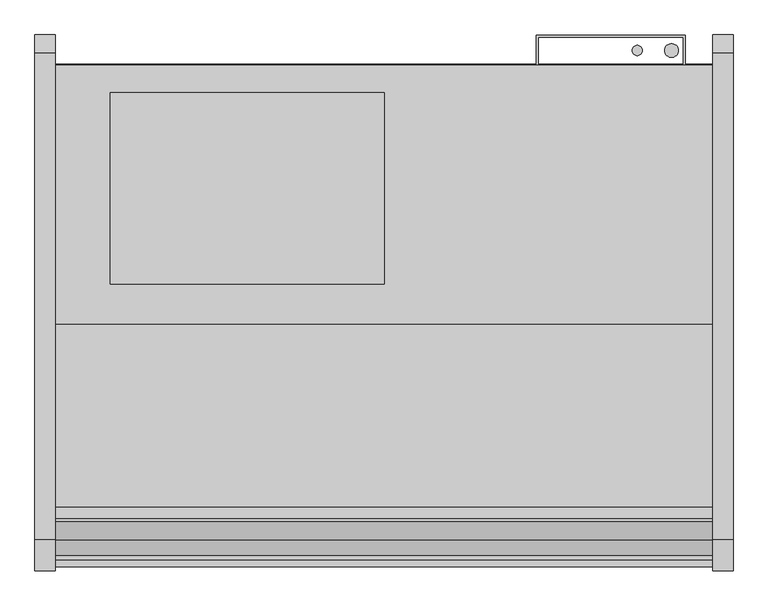
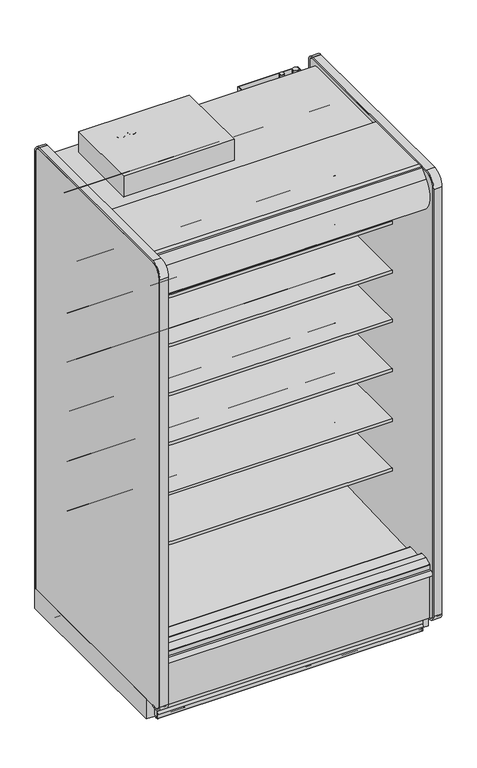
"""IFC4 building model written with IfcOpenShell, lengths in millimetres: proxy geometry."""

from ifc_helpers import new_model, si_unit, point, frame, frame_2d, origin, origin_with_axes, place, context, project, spatial, polyline, circle_curve, ellipse_curve, trimmed, segment, composite_curve, outline, extrude, source, transform, mapped, element, save
from ifc_brep_helpers import plane_surface, cylinder_surface, revolved_surface, advanced_brep


def mechanical_equipment_a07734db(model_context):
    return source(origin(), model_context, "Body", "SolidModel", [
        extrude(outline(composite_curve([segment(polyline([(-1274.0829637, 2251.075), (-1294.3336241, 2251.075)]), True, "CONTINUOUS"), segment(trimmed(circle_curve(frame_2d((-1294.3336241, 2246.6009255)), 4.4740745), [point((-1294.3336241, 2251.075))], [point((-1297.552004, 2249.7088788))], True, "CARTESIAN"), True, "CONTINUOUS"), segment(polyline([(-1297.552004, 2249.7088788), (-1332.8788425, 2213.1268666)]), True, "CONTINUOUS"), segment(trimmed(circle_curve(frame_2d((-1260.597853, 2143.3259263)), 100.4824), [point((-1332.8788425, 2213.1268666))], [point((-1341.3700905, 2203.0968084))], True, "CARTESIAN"), True, "CONTINUOUS"), segment(trimmed(circle_curve(frame_2d((-1260.597853, 2143.3259263)), 100.4824), [point((-1341.3700905, 2203.0968084))], [point((-1334.0860282, 2074.7970943))], True, "CARTESIAN"), True, "CONTINUOUS"), segment(trimmed(circle_curve(frame_2d((-1330.2592931, 2078.3655825)), 5.2324), [point((-1334.0860282, 2074.7970943))], [point((-1326.5594275, 2074.665717))], True, "CARTESIAN"), True, "CONTINUOUS"), segment(polyline([(-1326.5594275, 2074.665717), (-1319.9858801, 2081.2392645), (-1318.5490391, 2079.8024235), (-1325.1225866, 2073.228876)]), True, "CONTINUOUS"), segment(trimmed(circle_curve(frame_2d((-1330.2592931, 2078.3655825)), 7.2644), [point((-1325.1225866, 2073.228876))], [point((-1335.5721389, 2073.4112736))], False, "CARTESIAN"), True, "CONTINUOUS"), segment(trimmed(circle_curve(frame_2d((-1260.597853, 2143.3259263)), 102.5144), [point((-1335.5721389, 2073.4112736))], [point((-1334.340541, 2214.5384124))], False, "CARTESIAN"), True, "CONTINUOUS"), segment(polyline([(-1334.340541, 2214.5384124), (-1299.7047357, 2250.4048387)]), True, "CONTINUOUS"), segment(trimmed(circle_curve(frame_2d((-1294.4791637, 2245.3585624)), 7.2644), [point((-1299.7047357, 2250.4048387))], [point((-1294.4791637, 2252.6229624))], False, "CARTESIAN"), True, "CONTINUOUS"), segment(polyline([(-1294.4791637, 2252.6229624), (-1274.0829637, 2252.6229624), (-1274.0829637, 2251.075)]), True, "CONTINUOUS")], self_intersect=False)), frame((0.0, 0.0, 0.0), z_axis=(1.0, 0.0, 0.0), x_axis=(0.0, 1.0, 0.0)), (0.0, 0.0, 1.0), 1219.2),
        extrude(outline(composite_curve([segment(trimmed(circle_curve(frame_2d((-1254.7298559, 2115.8468051)), 11.1125), [point((-1265.8423507, 2115.8361068))], [point((-1243.617361, 2115.8575034))], False, "CARTESIAN"), True, "CONTINUOUS"), segment(trimmed(circle_curve(frame_2d((-1254.7298559, 2115.8468051)), 11.1125), [point((-1243.617361, 2115.8575034))], [point((-1265.8423507, 2115.8361068))], False, "CARTESIAN"), True, "CONTINUOUS")], self_intersect=False)), frame((0.0, 0.0, 0.0), z_axis=(1.0, 0.0, 0.0), x_axis=(0.0, 1.0, 0.0)), (0.0, 0.0, 1.0), 1219.2),
        extrude(outline(composite_curve([segment(trimmed(circle_curve(frame_2d((-1294.8804038, 2104.9918872)), 11.1125), [point((-1305.9928987, 2104.9811889))], [point((-1283.767909, 2105.0025854))], False, "CARTESIAN"), True, "CONTINUOUS"), segment(trimmed(circle_curve(frame_2d((-1294.8804038, 2104.9918872)), 11.1125), [point((-1283.767909, 2105.0025854))], [point((-1305.9928987, 2104.9811889))], False, "CARTESIAN"), True, "CONTINUOUS")], self_intersect=False)), frame((0.0, 0.0, 0.0), z_axis=(1.0, 0.0, 0.0), x_axis=(0.0, 1.0, 0.0)), (0.0, 0.0, 1.0), 1219.2),
        extrude(outline(polyline([(892.175, -397.6671044), (1168.4, -397.6671044), (1168.4, -453.092873), (1165.225, -453.092873), (1165.225, -400.8421044), (895.35, -400.8421044), (895.35, -453.092873), (892.175, -453.092873), (892.175, -397.6671044)])), frame((0.0, 0.0, 237.9789513), z_axis=(0.0, 0.0, 1.0), x_axis=(1.0, 0.0, 0.0)), (0.0, 0.0, 1.0), 1972.9442436),
        extrude(outline(composite_curve([segment(polyline([(-450.2965273, 24.892), (-450.2965273, 5.1562)]), True, "CONTINUOUS"), segment(trimmed(circle_curve(frame_2d((-455.4527273, 5.1562)), 5.1562), [point((-450.2965273, 5.1562))], [point((-455.4527273, 0.0))], False, "CARTESIAN"), True, "CONTINUOUS"), segment(polyline([(-455.4527273, 0.0), (-490.3650273, 0.0)]), True, "CONTINUOUS"), segment(trimmed(circle_curve(frame_2d((-490.3650273, 5.1562)), 5.1562), [point((-490.3650273, 0.0))], [point((-495.5212273, 5.1562))], False, "CARTESIAN"), True, "CONTINUOUS"), segment(polyline([(-495.5212273, 5.1562), (-495.5212273, 19.7231)]), True, "CONTINUOUS"), segment(trimmed(circle_curve(frame_2d((-497.9088273, 19.7231)), 2.3876), [point((-495.5212273, 19.7231))], [point((-497.9088273, 22.1107))], True, "CARTESIAN"), True, "CONTINUOUS"), segment(polyline([(-497.9088273, 22.1107), (-509.1356273, 22.1107)]), True, "CONTINUOUS"), segment(trimmed(circle_curve(frame_2d((-509.1356273, 19.7231)), 2.3876), [point((-509.1356273, 22.1107))], [point((-511.5232273, 19.7231))], True, "CARTESIAN"), True, "CONTINUOUS"), segment(polyline([(-511.5232273, 19.7231), (-511.5232273, 4.2926), (-514.2918273, 4.2926), (-514.2918273, 19.7231)]), True, "CONTINUOUS"), segment(trimmed(circle_curve(frame_2d((-509.1356273, 19.7231)), 5.1562), [point((-514.2918273, 19.7231))], [point((-509.1356273, 24.8793))], False, "CARTESIAN"), True, "CONTINUOUS"), segment(polyline([(-509.1356273, 24.8793), (-497.9088273, 24.8793)]), True, "CONTINUOUS"), segment(trimmed(circle_curve(frame_2d((-497.9088273, 19.7231)), 5.1562), [point((-497.9088273, 24.8793))], [point((-492.7526273, 19.7231))], False, "CARTESIAN"), True, "CONTINUOUS"), segment(polyline([(-492.7526273, 19.7231), (-492.7526273, 5.1562)]), True, "CONTINUOUS"), segment(trimmed(circle_curve(frame_2d((-490.3650273, 5.1562)), 2.3876), [point((-492.7526273, 5.1562))], [point((-490.3650273, 2.7686))], True, "CARTESIAN"), True, "CONTINUOUS"), segment(polyline([(-490.3650273, 2.7686), (-455.4527273, 2.7686)]), True, "CONTINUOUS"), segment(trimmed(circle_curve(frame_2d((-455.4527273, 5.1562)), 2.3876), [point((-455.4527273, 2.7686))], [point((-453.0651273, 5.1562))], True, "CARTESIAN"), True, "CONTINUOUS"), segment(polyline([(-453.0651273, 5.1562), (-453.0651273, 24.892), (-450.2965273, 24.892)]), True, "CONTINUOUS")], self_intersect=False)), frame((0.0, 0.0, 0.0), z_axis=(1.0, 0.0, 0.0), x_axis=(0.0, 1.0, 0.0)), (0.0, 0.0, 1.0), 1219.2),
        extrude(outline(composite_curve([segment(polyline([(-1119.8151273, 105.16235), (-453.0963273, 105.16235), (-453.0963273, 5.1562)]), True, "CONTINUOUS"), segment(trimmed(circle_curve(frame_2d((-455.4839273, 5.1562)), 2.3876), [point((-453.0963273, 5.1562))], [point((-455.4839273, 2.7686))], False, "CARTESIAN"), True, "CONTINUOUS"), segment(polyline([(-455.4839273, 2.7686), (-488.0213273, 2.7686), (-488.0213273, 70.23735), (-1084.8901273, 70.23735), (-1084.8901273, 2.7686), (-1117.4275273, 2.7686)]), True, "CONTINUOUS"), segment(trimmed(circle_curve(frame_2d((-1117.4275273, 5.1562)), 2.3876), [point((-1117.4275273, 2.7686))], [point((-1119.8151273, 5.1562))], False, "CARTESIAN"), True, "CONTINUOUS"), segment(polyline([(-1119.8151273, 5.1562), (-1119.8151273, 105.16235)]), True, "CONTINUOUS")], self_intersect=False)), frame((0.0, 0.0, 0.0), z_axis=(1.0, 0.0, 0.0), x_axis=(0.0, 1.0, 0.0)), (0.0, 0.0, 1.0), 1219.2),
        extrude(outline(composite_curve([segment(trimmed(circle_curve(frame_2d((1047.4108045, -1169.1284613)), 12.7), [point((1034.7108045, -1169.1284613))], [point((1060.1108045, -1169.1284613))], False, "CARTESIAN"), True, "CONTINUOUS"), segment(trimmed(circle_curve(frame_2d((1047.4108045, -1169.1284613)), 12.7), [point((1060.1108045, -1169.1284613))], [point((1034.7108045, -1169.1284613))], False, "CARTESIAN"), True, "CONTINUOUS")], self_intersect=False)), origin_with_axes(), (0.0, 0.0, 1.0), 84.70392),
        extrude(outline(composite_curve([segment(trimmed(circle_curve(frame_2d((975.0641955, -1169.1284613)), 9.525), [point((965.5391955, -1169.1284613))], [point((984.5891955, -1169.1284613))], False, "CARTESIAN"), True, "CONTINUOUS"), segment(trimmed(circle_curve(frame_2d((975.0641955, -1169.1284613)), 9.525), [point((984.5891955, -1169.1284613))], [point((965.5391955, -1169.1284613))], False, "CARTESIAN"), True, "CONTINUOUS")], self_intersect=False)), origin_with_axes(), (0.0, 0.0, 1.0), 84.70392),
        extrude(outline(composite_curve([segment(trimmed(circle_curve(frame_2d((914.4, -1177.0275273)), 38.1), [point((876.3, -1177.0275273))], [point((952.5, -1177.0275273))], False, "CARTESIAN"), True, "CONTINUOUS"), segment(trimmed(circle_curve(frame_2d((914.4, -1177.0275273)), 38.1), [point((952.5, -1177.0275273))], [point((876.3, -1177.0275273))], False, "CARTESIAN"), True, "CONTINUOUS")], self_intersect=False)), origin_with_axes(), (0.0, 0.0, 1.0), 101.6),
        extrude(outline(composite_curve([segment(polyline([(-1303.8439273, 35.7124), (-1303.8439273, 56.3626001), (-1310.1939271, 58.3421778), (-1303.8439273, 70.6374), (-1303.8439273, 98.425)]), True, "CONTINUOUS"), segment(trimmed(circle_curve(frame_2d((-1303.1073273, 98.425)), 0.7366), [point((-1303.8439273, 98.425))], [point((-1303.1073273, 99.1616))], False, "CARTESIAN"), True, "CONTINUOUS"), segment(polyline([(-1303.1073273, 99.1616), (-1303.1073273, 1.524)]), True, "CONTINUOUS"), segment(trimmed(circle_curve(frame_2d((-1302.3199273, 1.524)), 0.7874), [point((-1303.1073273, 1.524))], [point((-1302.3199273, 0.7366))], True, "CARTESIAN"), True, "CONTINUOUS"), segment(polyline([(-1302.3199273, 0.7366), (-1299.2124308, 0.7366), (-1298.696658, 1.4732), (-1293.083258, 1.4732)]), True, "CONTINUOUS"), segment(trimmed(circle_curve(frame_2d((-1293.083258, 0.7366)), 0.7366), [point((-1293.083258, 1.4732))], [point((-1293.083258, 0.0))], False, "CARTESIAN"), True, "CONTINUOUS"), segment(polyline([(-1293.083258, 0.0), (-1302.3199273, 0.0)]), True, "CONTINUOUS"), segment(trimmed(circle_curve(frame_2d((-1302.3199273, 1.524)), 1.524), [point((-1302.3199273, 0.0))], [point((-1303.8439273, 1.524))], False, "CARTESIAN"), True, "CONTINUOUS"), segment(polyline([(-1303.8439273, 1.524), (-1303.8439273, 21.4376001), (-1310.1939271, 23.4171778), (-1303.8439273, 35.7124)]), True, "CONTINUOUS")], self_intersect=False)), frame((0.0, 0.0, 0.0), z_axis=(1.0, 0.0, 0.0), x_axis=(0.0, 1.0, 0.0)), (0.0, 0.0, 1.0), 1219.2),
        extrude(outline(composite_curve([segment(polyline([(-554.6455273, 571.5555799), (-573.0215473, 571.2431163)]), True, "CONTINUOUS"), segment(trimmed(circle_curve(frame_2d((-573.4533834, 596.6394451)), 25.4), [point((-573.0215473, 571.2431163))], [point((-589.4307397, 576.8939624))], False, "CARTESIAN"), True, "CONTINUOUS"), segment(polyline([(-589.4307397, 576.8939624), (-607.2828008, 591.339228)]), True, "CONTINUOUS"), segment(trimmed(circle_curve(frame_2d((-647.2261914, 541.9755212)), 63.5), [point((-607.2828008, 591.339228))], [point((-639.3283102, 604.9824531))], True, "CARTESIAN"), True, "CONTINUOUS"), segment(polyline([(-639.3283102, 604.9824531), (-929.9804321, 628.6795906), (-931.4692086, 632.1201427), (-1062.7611376, 632.1201427), (-1062.7611376, 646.3441427), (-554.6455273, 646.3441427), (-554.6455273, 571.5555799)]), True, "CONTINUOUS")], self_intersect=False)), frame((0.0, 0.0, 0.0), z_axis=(1.0, 0.0, 0.0), x_axis=(0.0, 1.0, 0.0)), (0.0, 0.0, 1.0), 1219.2),
        extrude(outline(composite_curve([segment(polyline([(-554.6455273, 812.8555799), (-573.0215473, 812.5431163)]), True, "CONTINUOUS"), segment(trimmed(circle_curve(frame_2d((-573.4533834, 837.9394451)), 25.4), [point((-573.0215473, 812.5431163))], [point((-589.4307397, 818.1939624))], False, "CARTESIAN"), True, "CONTINUOUS"), segment(polyline([(-589.4307397, 818.1939624), (-607.2828008, 832.639228)]), True, "CONTINUOUS"), segment(trimmed(circle_curve(frame_2d((-647.2261914, 783.2755212)), 63.5), [point((-607.2828008, 832.639228))], [point((-639.3283102, 846.2824531))], True, "CARTESIAN"), True, "CONTINUOUS"), segment(polyline([(-639.3283102, 846.2824531), (-929.9804321, 869.9795906), (-931.4692086, 873.4201427), (-1062.7611376, 873.4201427), (-1062.7611376, 887.6441427), (-554.6455273, 887.6441427), (-554.6455273, 812.8555799)]), True, "CONTINUOUS")], self_intersect=False)), frame((0.0, 0.0, 0.0), z_axis=(1.0, 0.0, 0.0), x_axis=(0.0, 1.0, 0.0)), (0.0, 0.0, 1.0), 1219.2),
        extrude(outline(composite_curve([segment(polyline([(-554.6455273, 1054.1555799), (-573.0215473, 1053.8431163)]), True, "CONTINUOUS"), segment(trimmed(circle_curve(frame_2d((-573.4533834, 1079.2394451)), 25.4), [point((-573.0215473, 1053.8431163))], [point((-589.4307397, 1059.4939624))], False, "CARTESIAN"), True, "CONTINUOUS"), segment(polyline([(-589.4307397, 1059.4939624), (-607.2828008, 1073.939228)]), True, "CONTINUOUS"), segment(trimmed(circle_curve(frame_2d((-647.2261914, 1024.5755212)), 63.5), [point((-607.2828008, 1073.939228))], [point((-639.3283102, 1087.5824531))], True, "CARTESIAN"), True, "CONTINUOUS"), segment(polyline([(-639.3283102, 1087.5824531), (-929.9804321, 1111.2795906), (-931.4692086, 1114.7201427), (-1062.7611376, 1114.7201427), (-1062.7611376, 1128.9441427), (-554.6455273, 1128.9441427), (-554.6455273, 1054.1555799)]), True, "CONTINUOUS")], self_intersect=False)), frame((0.0, 0.0, 0.0), z_axis=(1.0, 0.0, 0.0), x_axis=(0.0, 1.0, 0.0)), (0.0, 0.0, 1.0), 1219.2),
        extrude(outline(composite_curve([segment(polyline([(-554.6455273, 1295.5492695), (-573.0215473, 1295.2368059)]), True, "CONTINUOUS"), segment(trimmed(circle_curve(frame_2d((-573.4533834, 1320.6331347)), 25.4), [point((-573.0215473, 1295.2368059))], [point((-589.4307397, 1300.887652))], False, "CARTESIAN"), True, "CONTINUOUS"), segment(polyline([(-589.4307397, 1300.887652), (-607.2828008, 1315.3329175)]), True, "CONTINUOUS"), segment(trimmed(circle_curve(frame_2d((-647.2261914, 1265.9692108)), 63.5), [point((-607.2828008, 1315.3329175))], [point((-639.3283102, 1328.9761427))], True, "CARTESIAN"), True, "CONTINUOUS"), segment(polyline([(-639.3283102, 1328.9761427), (-929.9804321, 1352.6732801), (-931.4692086, 1356.1138322), (-1062.7611376, 1356.1138322), (-1062.7611376, 1370.3378322), (-554.6455273, 1370.3378322), (-554.6455273, 1295.5492695)]), True, "CONTINUOUS")], self_intersect=False)), frame((0.0, 0.0, 0.0), z_axis=(1.0, 0.0, 0.0), x_axis=(0.0, 1.0, 0.0)), (0.0, 0.0, 1.0), 1219.2),
        extrude(outline(composite_curve([segment(polyline([(-554.6455273, 1533.1653867), (-573.0215473, 1532.8529231)]), True, "CONTINUOUS"), segment(trimmed(circle_curve(frame_2d((-573.4533834, 1558.2492519)), 25.4), [point((-573.0215473, 1532.8529231))], [point((-589.4307397, 1538.5037692))], False, "CARTESIAN"), True, "CONTINUOUS"), segment(polyline([(-589.4307397, 1538.5037692), (-607.2828008, 1552.9490347)]), True, "CONTINUOUS"), segment(trimmed(circle_curve(frame_2d((-647.2261914, 1503.585328)), 63.5), [point((-607.2828008, 1552.9490347))], [point((-639.3283102, 1566.5922599))], True, "CARTESIAN"), True, "CONTINUOUS"), segment(polyline([(-639.3283102, 1566.5922599), (-929.9804321, 1590.2893973), (-931.4692086, 1593.7299494), (-1062.7611376, 1593.7299494), (-1062.7611376, 1607.9539494), (-554.6455273, 1607.9539494), (-554.6455273, 1533.1653867)]), True, "CONTINUOUS")], self_intersect=False)), frame((0.0, 0.0, 0.0), z_axis=(1.0, 0.0, 0.0), x_axis=(0.0, 1.0, 0.0)), (0.0, 0.0, 1.0), 1219.2),
        advanced_brep(
        [(1219.2, -1303.0997867, 105.16235), (1219.2, -1303.0997867, 12.46632), (1219.2, -1299.1373867, 8.50392), (1219.2, -1189.1400664, 8.50392), (1219.2, -1119.8463273, 27.0711214), (1219.2, -1119.8463273, 105.16235), (0.0, -1303.0997867, 105.16235), (0.0, -1119.8463273, 105.16235), (0.0, -1119.8463273, 27.0711214), (0.0, -1189.1400664, 8.50392), (0.0, -1299.1373867, 8.50392), (0.0, -1303.0997867, 12.46632), (127.0, -1303.0997867, 12.46632), (127.0, -1303.0997867, 70.23735), (638.175, -1303.0997867, 70.23735), (638.175, -1303.0997867, 12.46632), (638.175, -1299.1373867, 8.50392), (127.0, -1299.1373867, 8.50392), (638.175, -1291.5558487, 8.50392), (638.9243384, -1291.5558487, 8.50392), (638.9243384, -1191.2766487, 8.50392), (127.0127384, -1191.2766487, 8.50392), (865.0651604, -1189.1400664, 8.50392), (963.7348396, -1189.1400664, 8.50392), (979.5635281, -1189.1400664, 8.50392), (1071.4864719, -1189.1400664, 8.50392), (1043.1183681, -1119.8463273, 27.0711214), (1043.1183681, -1119.8463273, 101.6), (1007.9316319, -1119.8463273, 101.6), (1007.9316319, -1119.8463273, 27.0711214), (127.0, -1291.5558487, 70.23735), (638.175, -1291.5558487, 70.23735), (127.0, -1191.2766487, 84.70392), (127.0, -1291.5558487, 84.70392), (1076.325, -1167.5025273, 14.3016811), (974.725, -1167.5025273, 14.3016811), (965.2, -1177.0275273, 11.7494651), (863.6, -1177.0275273, 11.7494651), (1076.325, -1167.5025273, 101.6), (974.725, -1167.5025273, 101.6), (863.6, -1177.0275273, 101.6), (965.2, -1177.0275273, 101.6), (638.9243384, -1191.2766487, 84.70392), (638.9243384, -1291.5558487, 84.70392)],
        [
            (0, 1),
            (1, 2, circle_curve(frame((1219.2, -1299.1373867, 12.46632), z_axis=(1.0, 0.0, 0.0), x_axis=(0.0, 1.0, 0.0)), 3.9624)),
            (2, 3),
            (3, 4),
            (4, 5),
            (5, 0),
            (6, 7),
            (7, 8),
            (8, 9),
            (9, 10),
            (10, 11, circle_curve(frame((0.0, -1299.1373867, 12.46632), z_axis=(-1.0, 0.0, 0.0), x_axis=(0.0, 1.0, 0.0)), 3.9624)),
            (11, 6),
            (0, 6),
            (11, 12),
            (12, 13),
            (13, 14),
            (14, 15),
            (15, 1),
            (15, 16, circle_curve(frame((638.175, -1299.1373867, 12.46632), z_axis=(1.0, 0.0, 0.0), x_axis=(0.0, 1.0, 0.0)), 3.9624)),
            (16, 2),
            (10, 17),
            (17, 12, circle_curve(frame((127.0, -1299.1373867, 12.46632), z_axis=(-1.0, 0.0, 0.0), x_axis=(0.0, 1.0, 0.0)), 3.9624)),
            (16, 18),
            (18, 19),
            (19, 20),
            (20, 21),
            (21, 17),
            (9, 22),
            (22, 23, circle_curve(frame((914.4, -1177.0275273, 8.50392), z_axis=(0.0, 0.0, 1.0), x_axis=(1.0, 0.0, 0.0)), 50.8)),
            (23, 24),
            (24, 25, circle_curve(frame((1025.525, -1167.5025273, 8.50392), z_axis=(0.0, 0.0, 1.0), x_axis=(1.0, 0.0, 0.0)), 50.8)),
            (25, 3),
            (4, 26),
            (26, 27),
            (27, 28),
            (28, 29),
            (29, 8),
            (7, 5),
            (13, 30),
            (30, 31),
            (31, 14),
            (21, 32),
            (32, 33),
            (33, 30),
            (31, 18),
            (25, 34, ellipse_curve(frame((1025.525, -1167.5025273, 14.3016811), z_axis=(0.0, -0.2588190451025241, 0.9659258262890674), x_axis=(0.0, 0.9659258262890675, 0.25881904510252396)), 52.59203, 50.8)),
            (34, 26, ellipse_curve(frame((1025.525, -1167.5025273, 14.3016811), z_axis=(0.0, -0.2588190451025241, 0.9659258262890674), x_axis=(0.0, 0.9659258262890675, 0.25881904510252396)), 52.59203, 50.8)),
            (29, 35, ellipse_curve(frame((1025.525, -1167.5025273, 14.3016811), z_axis=(0.0, -0.2588190451025241, 0.9659258262890674), x_axis=(0.0, 0.9659258262890675, 0.25881904510252396)), 52.59203, 50.8)),
            (35, 24, ellipse_curve(frame((1025.525, -1167.5025273, 14.3016811), z_axis=(0.0, -0.2588190451025241, 0.9659258262890674), x_axis=(0.0, 0.9659258262890675, 0.25881904510252396)), 52.59203, 50.8)),
            (23, 36, ellipse_curve(frame((914.4, -1177.0275273, 11.7494651), z_axis=(0.0, -0.2588190451025241, 0.9659258262890674), x_axis=(0.0, 0.9659258262890675, 0.25881904510252396)), 52.59203, 50.8)),
            (36, 37, ellipse_curve(frame((914.4, -1177.0275273, 11.7494651), z_axis=(0.0, -0.2588190451025241, 0.9659258262890674), x_axis=(0.0, 0.9659258262890675, 0.25881904510252396)), 52.59203, 50.8)),
            (37, 22, ellipse_curve(frame((914.4, -1177.0275273, 11.7494651), z_axis=(0.0, -0.2588190451025241, 0.9659258262890674), x_axis=(0.0, 0.9659258262890675, 0.25881904510252396)), 52.59203, 50.8)),
            (38, 39, circle_curve(frame((1025.525, -1167.5025273, 101.6), z_axis=(0.0, 0.0, -1.0), x_axis=(1.0, 0.0, 0.0)), 50.8)),
            (39, 28, circle_curve(frame((1025.525, -1167.5025273, 101.6), z_axis=(0.0, 0.0, -1.0), x_axis=(1.0, 0.0, 0.0)), 50.8)),
            (27, 38, circle_curve(frame((1025.525, -1167.5025273, 101.6), z_axis=(0.0, 0.0, -1.0), x_axis=(1.0, 0.0, 0.0)), 50.8)),
            (38, 34),
            (35, 39),
            (40, 41, circle_curve(frame((914.4, -1177.0275273, 101.6), z_axis=(0.0, 0.0, -1.0), x_axis=(1.0, 0.0, 0.0)), 50.8)),
            (41, 40, circle_curve(frame((914.4, -1177.0275273, 101.6), z_axis=(0.0, 0.0, -1.0), x_axis=(1.0, 0.0, 0.0)), 50.8)),
            (41, 36),
            (37, 40),
            (42, 43),
            (43, 33),
            (32, 42),
            (20, 42),
            (43, 19),
        ],
        [
            plane_surface(frame((1219.2, -1303.0997867, 12.46632), z_axis=(1.0, 0.0, 0.0), x_axis=(0.0, 0.0, -1.0))),
            plane_surface(frame((0.0, -1303.0997867, 12.46632), z_axis=(-1.0, 0.0, 0.0), x_axis=(0.0, 0.0, 1.0))),
            plane_surface(frame((1219.2, -1303.0997867, 105.16235), z_axis=(0.0, -1.0, 0.0), x_axis=(-1.0, 0.0, 0.0))),
            cylinder_surface(frame((0.0, -1299.1373867, 12.46632), z_axis=(1.0, 0.0, 0.0), x_axis=(0.0, 1.0, 0.0)), 3.9624),
            plane_surface(frame((1219.2, -1299.1373867, 8.50392), z_axis=(0.0, 0.0, -1.0), x_axis=(-1.0, 0.0, 0.0))),
            plane_surface(frame((1219.2, -1119.8463273, 27.0711214), z_axis=(0.0, 1.0, 0.0), x_axis=(-1.0, 0.0, 0.0))),
            plane_surface(frame((1219.2, -1119.8463273, 105.16235), z_axis=(0.0, 0.0, 1.0), x_axis=(-1.0, 0.0, 0.0))),
            plane_surface(frame((127.0, -1266.0481044, 70.23735), z_axis=(0.0, 0.0, -1.0), x_axis=(-1.0, 0.0, 0.0))),
            plane_surface(frame((127.0, -1266.0481044, 70.23735), z_axis=(1.0, 0.0, 0.0), x_axis=(0.0, 0.0, -1.0))),
            plane_surface(frame((638.175, -1367.6481044, 70.23735), z_axis=(-1.0, 0.0, 0.0), x_axis=(0.0, 0.0, -1.0))),
            plane_surface(frame((1219.2, -1189.1400664, 8.50392), z_axis=(0.0, 0.2588190451025241, -0.9659258262890674), x_axis=(-1.0, 0.0, 0.0))),
            plane_surface(frame((1076.325, -1167.5025273, 101.6), z_axis=(0.0, 0.0, -1.0), x_axis=(0.0, 1.0, 0.0))),
            revolved_surface(polyline([(1076.325, -1167.5025273, 101.6), (1076.325, -1167.5025273, 0.689862115396707)]), (1025.525, -1167.5025273, 0.0), (0.0, 0.0, 1.0)),
            plane_surface(frame((965.2, -1177.0275273, 101.6), z_axis=(0.0, 0.0, -1.0), x_axis=(0.0, 1.0, 0.0))),
            revolved_surface(polyline([(965.1999999999999, -1177.0275273, 101.6), (965.1999999999999, -1177.0275273, -1.8623538846032925)]), (914.4, -1177.0275273, 0.0), (0.0, 0.0, 1.0)),
            plane_surface(frame((638.9243384, -1191.2766487, 84.70392), z_axis=(0.0, 0.0, -1.0), x_axis=(-1.0, 0.0, 0.0))),
            plane_surface(frame((638.9243384, -1191.2766487, 84.70392), z_axis=(0.0, -1.0, 0.0), x_axis=(0.0, 0.0, -1.0))),
            plane_surface(frame((127.0127384, -1291.5558487, 84.70392), z_axis=(0.0, 1.0, 0.0), x_axis=(0.0, 0.0, -1.0))),
            plane_surface(frame((638.9243384, -1291.5558487, 84.70392), z_axis=(-1.0, 0.0, 0.0), x_axis=(0.0, 0.0, -1.0))),
        ],
        [
            (0, [[1, 2, 3, 4, 5, 6]]),
            (1, [[7, 8, 9, 10, 11, 12]]),
            (2, [[-1, 13, -12, 14, 15, 16, 17, 18]]),
            (3, [[-2, -18, 19, 20]]),
            (3, [[-11, 21, 22, -14]]),
            (4, [[-3, -20, 23, 24, 25, 26, 27, -21, -10, 28, 29, 30, 31, 32]]),
            (5, [[-5, 33, 34, 35, 36, 37, -8, 38]]),
            (6, [[-6, -38, -7, -13]]),
            (7, [[-16, 39, 40, 41]]),
            (8, [[-15, -22, -27, 42, 43, 44, -39]]),
            (9, [[-17, -41, 45, -23, -19]]),
            (10, [[-4, -32, 46, 47, -33]]),
            (10, [[-9, -37, 48, 49, -30, 50, 51, 52, -28]]),
            (11, [[53, 54, -35, 55]]),
            (12, [[-53, 56, -46, -31, -49, 57]]),
            (12, [[-54, -57, -48, -36]]),
            (12, [[-55, -34, -47, -56]]),
            (13, [[58, 59]]),
            (14, [[-59, 60, -50, -29, -52, 61]]),
            (14, [[-58, -61, -51, -60]]),
            (15, [[62, 63, -43, 64]]),
            (16, [[-64, -42, -26, 65]]),
            (17, [[-63, 66, -24, -45, -40, -44]]),
            (18, [[-62, -65, -25, -66]]),
        ],
    ),
        extrude(outline(polyline([(609.6, -504.1009236), (609.6, -859.7009236), (101.6, -859.7009236), (101.6, -504.1009236), (609.6, -504.1009236)])), frame((0.0, 0.0, 2232.3361513), z_axis=(0.0, 0.0, 1.0), x_axis=(1.0, 0.0, 0.0)), (0.0, 0.0, 1.0), 102.0572),
        extrude(outline(composite_curve([segment(polyline([(-1293.5729007, 2251.075), (-934.1551117, 2251.075), (-934.1551117, 2232.3361513), (-1233.3111299, 2232.3361513), (-1233.3111299, 2181.5361513), (-1172.9211148, 2181.5361513), (-1172.9211148, 2141.5126887), (-1209.2283755, 2128.2979266), (-1234.168471, 2139.9276841), (-1337.9651096, 2112.1154586), (-1337.9651096, 2081.6913231)]), True, "CONTINUOUS"), segment(trimmed(circle_curve(frame_2d((-1336.3776096, 2081.6913231)), 1.5875), [point((-1337.9651096, 2081.6913231))], [point((-1336.894449, 2080.1903123))], True, "CARTESIAN"), True, "CONTINUOUS"), segment(polyline([(-1336.894449, 2080.1903123), (-1326.7029612, 2076.6811017)]), True, "CONTINUOUS"), segment(trimmed(circle_curve(frame_2d((-1326.1861218, 2078.1821124)), 1.5875), [point((-1326.7029612, 2076.6811017))], [point((-1325.0635898, 2077.0595804))], True, "CARTESIAN"), True, "CONTINUOUS"), segment(polyline([(-1325.0635898, 2077.0595804), (-1321.7176418, 2080.4055284)]), True, "CONTINUOUS"), segment(trimmed(circle_curve(frame_2d((-1321.4931354, 2080.181022)), 0.3175), [point((-1321.7176418, 2080.4055284))], [point((-1321.268629, 2079.9565156))], False, "CARTESIAN"), True, "CONTINUOUS"), segment(polyline([(-1321.268629, 2079.9565156), (-1324.614577, 2076.6105676)]), True, "CONTINUOUS"), segment(trimmed(circle_curve(frame_2d((-1326.1861218, 2078.1821124)), 2.2225), [point((-1324.614577, 2076.6105676))], [point((-1326.909697, 2076.0806974))], False, "CARTESIAN"), True, "CONTINUOUS"), segment(polyline([(-1326.909697, 2076.0806974), (-1337.1011848, 2079.589908)]), True, "CONTINUOUS"), segment(trimmed(circle_curve(frame_2d((-1336.3776096, 2081.6913231)), 2.2225), [point((-1337.1011848, 2079.589908))], [point((-1338.6001096, 2081.6913231))], False, "CARTESIAN"), True, "CONTINUOUS"), segment(polyline([(-1338.6001096, 2081.6913231), (-1338.6001096, 2183.9920746), (-1305.0029007, 2231.9738616), (-1305.0029007, 2235.9097624), (-1293.5729007, 2247.0095624), (-1293.5729007, 2251.075)]), True, "CONTINUOUS")], self_intersect=False)), frame((0.0, 0.0, 0.0), z_axis=(1.0, 0.0, 0.0), x_axis=(0.0, 1.0, 0.0)), (0.0, 0.0, 1.0), 1219.2),
        extrude(outline(polyline([(1219.2, -1071.1044468), (1219.2, -1172.7417116), (0.0, -1172.7417116), (0.0, -1071.1044468), (1219.2, -1071.1044468)])), frame((0.0, 0.0, 2101.0299563), z_axis=(0.0, 0.0, 1.0), x_axis=(1.0, 0.0, 0.0)), (0.0, 0.0, 1.0), 25.4560927),
        extrude(outline(composite_curve([segment(polyline([(-554.6455273, 1770.7815039), (-573.0215473, 1770.4690403)]), True, "CONTINUOUS"), segment(trimmed(circle_curve(frame_2d((-573.4533834, 1795.8653691)), 25.4), [point((-573.0215473, 1770.4690403))], [point((-589.4307397, 1776.1198864))], False, "CARTESIAN"), True, "CONTINUOUS"), segment(polyline([(-589.4307397, 1776.1198864), (-607.2828008, 1790.5651519)]), True, "CONTINUOUS"), segment(trimmed(circle_curve(frame_2d((-647.2261914, 1741.2014452)), 63.5), [point((-607.2828008, 1790.5651519))], [point((-639.3283102, 1804.2083771))], True, "CARTESIAN"), True, "CONTINUOUS"), segment(polyline([(-639.3283102, 1804.2083771), (-929.9804321, 1827.9055145), (-931.4692086, 1831.3460666), (-1062.7611376, 1831.3460666), (-1062.7611376, 1845.5700666), (-554.6455273, 1845.5700666), (-554.6455273, 1770.7815039)]), True, "CONTINUOUS")], self_intersect=False)), frame((0.0, 0.0, 0.0), z_axis=(1.0, 0.0, 0.0), x_axis=(0.0, 1.0, 0.0)), (0.0, 0.0, 1.0), 1219.2),
        extrude(outline(composite_curve([segment(polyline([(-1360.3589273, 323.2962194), (-1361.930148, 323.2962194), (-1361.930148, 357.3196168)]), True, "CONTINUOUS"), segment(trimmed(circle_curve(frame_2d((-1360.355348, 357.3196168)), 1.5748), [point((-1361.930148, 357.3196168))], [point((-1361.142748, 358.6834336))], False, "CARTESIAN"), True, "CONTINUOUS"), segment(polyline([(-1361.142748, 358.6834336), (-1332.5247609, 375.2060362)]), True, "CONTINUOUS"), segment(trimmed(circle_curve(frame_2d((-1331.7373609, 373.8422194)), 1.5748), [point((-1332.5247609, 375.2060362))], [point((-1331.7373609, 375.4170194))], False, "CARTESIAN"), True, "CONTINUOUS"), segment(polyline([(-1331.7373609, 375.4170194), (-1299.3544364, 375.4170194)]), True, "CONTINUOUS"), segment(trimmed(circle_curve(frame_2d((-1299.3544364, 373.8422194)), 1.5748), [point((-1299.3544364, 375.4170194))], [point((-1297.7796364, 373.8422194))], False, "CARTESIAN"), True, "CONTINUOUS"), segment(polyline([(-1297.7796364, 373.8422194), (-1297.7796364, 358.0341924), (-1346.7518336, 358.0341924), (-1346.7518336, 105.16235), (-1303.0997867, 105.16235), (-1303.0997867, 98.81235), (-1360.3589273, 98.81235), (-1360.3589273, 323.2962194)]), True, "CONTINUOUS")], self_intersect=False)), frame((0.0, 0.0, 0.0), z_axis=(1.0, 0.0, 0.0), x_axis=(0.0, 1.0, 0.0)), (0.0, 0.0, 1.0), 1219.2),
        extrude(outline(composite_curve([segment(polyline([(-503.1482973, 185.8742407), (-1297.1696071, 157.0280151), (-1297.1696071, 347.5376575), (-1208.140472, 350.6466237)]), True, "CONTINUOUS"), segment(trimmed(circle_curve(frame_2d((-1208.0722155, 348.6920151)), 1.9558), [point((-1208.140472, 350.6466237))], [point((-1206.1176069, 348.7602715))], False, "CARTESIAN"), True, "CONTINUOUS"), segment(polyline([(-1206.1176069, 348.7602715), (-1205.2658029, 324.3677965), (-590.0118979, 347.9015896), (-581.1166683, 357.4405555)]), True, "CONTINUOUS"), segment(trimmed(circle_curve(frame_2d((-580.0020853, 356.40119)), 1.524), [point((-581.1166683, 357.4405555))], [point((-580.0552721, 357.9242616))], False, "CARTESIAN"), True, "CONTINUOUS"), segment(polyline([(-580.0552721, 357.9242616), (-554.6455273, 358.8115894), (-554.6455273, 237.9789513), (-503.1482973, 237.9789513), (-503.1482973, 185.8742407)]), True, "CONTINUOUS")], self_intersect=False)), frame((0.0, 0.0, 0.0), z_axis=(1.0, 0.0, 0.0), x_axis=(0.0, 1.0, 0.0)), (0.0, 0.0, 1.0), 1219.2),
        extrude(outline(composite_curve([segment(polyline([(-553.9170797, 2180.3044558), (-553.9170797, 2177.6473266), (-503.1482973, 2177.6473266), (-503.1482973, 237.9789513), (-554.6455273, 237.9789513), (-554.6455273, 2088.6930061)]), True, "CONTINUOUS"), segment(trimmed(circle_curve(frame_2d((-580.092873, 2088.2737013)), 25.4508), [point((-554.6455273, 2088.6930061))], [point((-580.092873, 2113.7245013))], True, "CARTESIAN"), True, "CONTINUOUS"), segment(polyline([(-580.092873, 2113.7245013), (-646.971073, 2113.7245013), (-646.971073, 2128.8629013), (-1070.3912573, 2128.8629013), (-1070.3912573, 2101.8119013)]), True, "CONTINUOUS"), segment(trimmed(circle_curve(frame_2d((-1071.9152573, 2101.8119013)), 1.524), [point((-1070.3912573, 2101.8119013))], [point((-1071.9152573, 2100.2879013))], False, "CARTESIAN"), True, "CONTINUOUS"), segment(polyline([(-1071.9152573, 2100.2879013), (-1082.3038573, 2100.2879013), (-1082.3038573, 2101.1384913), (-1071.1044468, 2101.1384913), (-1071.1044468, 2126.4860489), (-1172.7417116, 2126.4860489), (-1172.7417116, 2101.1832513), (-1162.3024273, 2101.1832513), (-1162.3024273, 2100.3895013), (-1172.0948146, 2100.3895013)]), True, "CONTINUOUS"), segment(trimmed(circle_curve(frame_2d((-1172.0948146, 2101.7095178)), 1.3200165), [point((-1172.0948146, 2100.3895013))], [point((-1173.4148311, 2101.7095178))], False, "CARTESIAN"), True, "CONTINUOUS"), segment(polyline([(-1173.4148311, 2101.7095178), (-1173.4148311, 2180.3044558), (-553.9170797, 2180.3044558)]), True, "CONTINUOUS")], self_intersect=False)), frame((0.0, 0.0, 0.0), z_axis=(1.0, 0.0, 0.0), x_axis=(0.0, 1.0, 0.0)), (0.0, 0.0, 1.0), 1219.2),
        extrude(outline(polyline([(-453.092873, 2232.3361513), (-453.092873, 304.27295), (-503.1482973, 304.27295), (-503.1482973, 2180.3044558), (-1233.3111299, 2180.3044558), (-1233.3111299, 2232.3361513), (-453.092873, 2232.3361513)])), frame((0.0, 0.0, 0.0), z_axis=(1.0, 0.0, 0.0), x_axis=(0.0, 1.0, 0.0)), (0.0, 0.0, 1.0), 1219.2),
        extrude(outline(polyline([(-1346.7518336, 105.16235), (-1346.7518336, 358.0341924), (-1297.1696071, 358.0341924), (-1297.1696071, 157.0280151), (-503.1482973, 185.8742407), (-503.1482973, 304.27295), (-453.092873, 304.27295), (-453.092873, 105.16235), (-1346.7518336, 105.16235)])), frame((0.0, 0.0, 0.0), z_axis=(1.0, 0.0, 0.0), x_axis=(0.0, 1.0, 0.0)), (0.0, 0.0, 1.0), 1219.2),
        extrude(outline(composite_curve([segment(polyline([(-1122.6149273, 24.892), (-1119.8463273, 24.892), (-1119.8463273, 5.1562)]), True, "CONTINUOUS"), segment(trimmed(circle_curve(frame_2d((-1117.4587273, 5.1562)), 2.3876), [point((-1119.8463273, 5.1562))], [point((-1117.4587273, 2.7686))], True, "CARTESIAN"), True, "CONTINUOUS"), segment(polyline([(-1117.4587273, 2.7686), (-1082.5464273, 2.7686)]), True, "CONTINUOUS"), segment(trimmed(circle_curve(frame_2d((-1082.5464273, 5.1562)), 2.3876), [point((-1082.5464273, 2.7686))], [point((-1080.1588273, 5.1562))], True, "CARTESIAN"), True, "CONTINUOUS"), segment(polyline([(-1080.1588273, 5.1562), (-1080.1588273, 19.7231)]), True, "CONTINUOUS"), segment(trimmed(circle_curve(frame_2d((-1075.0026273, 19.7231)), 5.1562), [point((-1080.1588273, 19.7231))], [point((-1075.0026273, 24.8793))], False, "CARTESIAN"), True, "CONTINUOUS"), segment(polyline([(-1075.0026273, 24.8793), (-1063.7758273, 24.8793)]), True, "CONTINUOUS"), segment(trimmed(circle_curve(frame_2d((-1063.7758273, 19.7231)), 5.1562), [point((-1063.7758273, 24.8793))], [point((-1058.6196273, 19.7231))], False, "CARTESIAN"), True, "CONTINUOUS"), segment(polyline([(-1058.6196273, 19.7231), (-1058.6196273, 4.2926), (-1061.3882273, 4.2926), (-1061.3882273, 19.7231)]), True, "CONTINUOUS"), segment(trimmed(circle_curve(frame_2d((-1063.7758273, 19.7231)), 2.3876), [point((-1061.3882273, 19.7231))], [point((-1063.7758273, 22.1107))], True, "CARTESIAN"), True, "CONTINUOUS"), segment(polyline([(-1063.7758273, 22.1107), (-1075.0026273, 22.1107)]), True, "CONTINUOUS"), segment(trimmed(circle_curve(frame_2d((-1075.0026273, 19.7231)), 2.3876), [point((-1075.0026273, 22.1107))], [point((-1077.3902273, 19.7231))], True, "CARTESIAN"), True, "CONTINUOUS"), segment(polyline([(-1077.3902273, 19.7231), (-1077.3902273, 5.1562)]), True, "CONTINUOUS"), segment(trimmed(circle_curve(frame_2d((-1082.5464273, 5.1562)), 5.1562), [point((-1077.3902273, 5.1562))], [point((-1082.5464273, 0.0))], False, "CARTESIAN"), True, "CONTINUOUS"), segment(polyline([(-1082.5464273, 0.0), (-1117.4587273, 0.0)]), True, "CONTINUOUS"), segment(trimmed(circle_curve(frame_2d((-1117.4587273, 5.1562)), 5.1562), [point((-1117.4587273, 0.0))], [point((-1122.6149273, 5.1562))], False, "CARTESIAN"), True, "CONTINUOUS"), segment(polyline([(-1122.6149273, 5.1562), (-1122.6149273, 24.892)]), True, "CONTINUOUS")], self_intersect=False)), frame((0.0, 0.0, 0.0), z_axis=(1.0, 0.0, 0.0), x_axis=(0.0, 1.0, 0.0)), (0.0, 0.0, 1.0), 1219.2),
        extrude(outline(polyline([(1257.3, -396.6376835), (1257.3, -1282.7829644), (1219.2, -1282.7829644), (1219.2, -396.6376835), (1257.3, -396.6376835)])), origin_with_axes(), (0.0, 0.0, 1.0), 98.81235),
        extrude(outline(composite_curve([segment(polyline([(-429.6775273, 2251.075), (-1333.5174682, 2251.075)]), True, "CONTINUOUS"), segment(trimmed(circle_curve(frame_2d((-1333.5174682, 2200.275)), 50.8), [point((-1333.5174682, 2251.075))], [point((-1384.3174682, 2200.275))], True, "CARTESIAN"), True, "CONTINUOUS"), segment(polyline([(-1384.3174682, 2200.275), (-1384.3174682, 124.21235)]), True, "CONTINUOUS"), segment(trimmed(circle_curve(frame_2d((-1358.9174682, 124.21235)), 25.4), [point((-1384.3174682, 124.21235))], [point((-1358.9174682, 98.81235))], True, "CARTESIAN"), True, "CONTINUOUS"), segment(polyline([(-1358.9174682, 98.81235), (-1332.5009969, 98.81235), (-1332.5009969, 91.1725063), (-1358.9174682, 91.1725063)]), True, "CONTINUOUS"), segment(trimmed(circle_curve(frame_2d((-1358.9174682, 124.21235)), 33.0398437), [point((-1358.9174682, 91.1725063))], [point((-1391.957312, 124.21235))], False, "CARTESIAN"), True, "CONTINUOUS"), segment(polyline([(-1391.957312, 124.21235), (-1391.957312, 2200.275)]), True, "CONTINUOUS"), segment(trimmed(circle_curve(frame_2d((-1333.5174682, 2200.275)), 58.4398437), [point((-1391.957312, 2200.275))], [point((-1333.5174682, 2258.7148438))], False, "CARTESIAN"), True, "CONTINUOUS"), segment(polyline([(-1333.5174682, 2258.7148438), (-429.6775273, 2258.7148438)]), True, "CONTINUOUS"), segment(trimmed(circle_curve(frame_2d((-429.6775273, 2225.675)), 33.0398438), [point((-429.6775273, 2258.7148438))], [point((-396.6376835, 2225.675))], False, "CARTESIAN"), True, "CONTINUOUS"), segment(polyline([(-396.6376835, 2225.675), (-396.6376835, 98.81235), (-404.2775273, 98.81235), (-404.2775273, 2225.675)]), True, "CONTINUOUS"), segment(trimmed(circle_curve(frame_2d((-429.6775273, 2225.675)), 25.4), [point((-404.2775273, 2225.675))], [point((-429.6775273, 2251.075))], True, "CARTESIAN"), True, "CONTINUOUS")], self_intersect=False)), frame((1219.2, 0.0, 0.0), z_axis=(1.0, 0.0, 0.0), x_axis=(0.0, 1.0, 0.0)), (0.0, 0.0, 1.0), 38.1),
        extrude(outline(composite_curve([segment(trimmed(circle_curve(frame_2d((-429.6775273, 2225.675)), 25.4), [point((-429.6775273, 2251.075))], [point((-404.2775273, 2225.675))], False, "CARTESIAN"), True, "CONTINUOUS"), segment(polyline([(-404.2775273, 2225.675), (-404.2775273, 98.81235), (-1358.9174682, 98.81235)]), True, "CONTINUOUS"), segment(trimmed(circle_curve(frame_2d((-1358.9174682, 124.21235)), 25.4), [point((-1358.9174682, 98.81235))], [point((-1384.3174682, 124.21235))], False, "CARTESIAN"), True, "CONTINUOUS"), segment(polyline([(-1384.3174682, 124.21235), (-1384.3174682, 2200.275)]), True, "CONTINUOUS"), segment(trimmed(circle_curve(frame_2d((-1333.5174682, 2200.275)), 50.8), [point((-1384.3174682, 2200.275))], [point((-1333.5174682, 2251.075))], False, "CARTESIAN"), True, "CONTINUOUS"), segment(polyline([(-1333.5174682, 2251.075), (-429.6775273, 2251.075)]), True, "CONTINUOUS")], self_intersect=False)), frame((1219.2, 0.0, 0.0), z_axis=(1.0, 0.0, 0.0), x_axis=(0.0, 1.0, 0.0)), (0.0, 0.0, 1.0), 38.1),
        extrude(outline(polyline([(0.0, -396.6376835), (0.0, -1282.7829644), (-38.1, -1282.7829644), (-38.1, -396.6376835), (0.0, -396.6376835)])), origin_with_axes(), (0.0, 0.0, 1.0), 98.81235),
        extrude(outline(composite_curve([segment(polyline([(-429.6775273, 2251.075), (-1333.5174682, 2251.075)]), True, "CONTINUOUS"), segment(trimmed(circle_curve(frame_2d((-1333.5174682, 2200.275)), 50.8), [point((-1333.5174682, 2251.075))], [point((-1384.3174682, 2200.275))], True, "CARTESIAN"), True, "CONTINUOUS"), segment(polyline([(-1384.3174682, 2200.275), (-1384.3174682, 124.21235)]), True, "CONTINUOUS"), segment(trimmed(circle_curve(frame_2d((-1358.9174682, 124.21235)), 25.4), [point((-1384.3174682, 124.21235))], [point((-1358.9174682, 98.81235))], True, "CARTESIAN"), True, "CONTINUOUS"), segment(polyline([(-1358.9174682, 98.81235), (-1332.5009969, 98.81235), (-1332.5009969, 91.1725063), (-1358.9174682, 91.1725063)]), True, "CONTINUOUS"), segment(trimmed(circle_curve(frame_2d((-1358.9174682, 124.21235)), 33.0398437), [point((-1358.9174682, 91.1725063))], [point((-1391.957312, 124.21235))], False, "CARTESIAN"), True, "CONTINUOUS"), segment(polyline([(-1391.957312, 124.21235), (-1391.957312, 2200.275)]), True, "CONTINUOUS"), segment(trimmed(circle_curve(frame_2d((-1333.5174682, 2200.275)), 58.4398437), [point((-1391.957312, 2200.275))], [point((-1333.5174682, 2258.7148438))], False, "CARTESIAN"), True, "CONTINUOUS"), segment(polyline([(-1333.5174682, 2258.7148438), (-429.6775273, 2258.7148438)]), True, "CONTINUOUS"), segment(trimmed(circle_curve(frame_2d((-429.6775273, 2225.675)), 33.0398438), [point((-429.6775273, 2258.7148438))], [point((-396.6376835, 2225.675))], False, "CARTESIAN"), True, "CONTINUOUS"), segment(polyline([(-396.6376835, 2225.675), (-396.6376835, 98.81235), (-404.2775273, 98.81235), (-404.2775273, 2225.675)]), True, "CONTINUOUS"), segment(trimmed(circle_curve(frame_2d((-429.6775273, 2225.675)), 25.4), [point((-404.2775273, 2225.675))], [point((-429.6775273, 2251.075))], True, "CARTESIAN"), True, "CONTINUOUS")], self_intersect=False)), frame((-38.1, 0.0, 0.0), z_axis=(1.0, 0.0, 0.0), x_axis=(0.0, 1.0, 0.0)), (0.0, 0.0, 1.0), 38.1),
        extrude(outline(composite_curve([segment(trimmed(circle_curve(frame_2d((-429.6775273, 2225.675)), 25.4), [point((-429.6775273, 2251.075))], [point((-404.2775273, 2225.675))], False, "CARTESIAN"), True, "CONTINUOUS"), segment(polyline([(-404.2775273, 2225.675), (-404.2775273, 98.81235), (-1358.9174682, 98.81235)]), True, "CONTINUOUS"), segment(trimmed(circle_curve(frame_2d((-1358.9174682, 124.21235)), 25.4), [point((-1358.9174682, 98.81235))], [point((-1384.3174682, 124.21235))], False, "CARTESIAN"), True, "CONTINUOUS"), segment(polyline([(-1384.3174682, 124.21235), (-1384.3174682, 2200.275)]), True, "CONTINUOUS"), segment(trimmed(circle_curve(frame_2d((-1333.5174682, 2200.275)), 50.8), [point((-1384.3174682, 2200.275))], [point((-1333.5174682, 2251.075))], False, "CARTESIAN"), True, "CONTINUOUS"), segment(polyline([(-1333.5174682, 2251.075), (-429.6775273, 2251.075)]), True, "CONTINUOUS")], self_intersect=False)), frame((-38.1, 0.0, 0.0), z_axis=(1.0, 0.0, 0.0), x_axis=(0.0, 1.0, 0.0)), (0.0, 0.0, 1.0), 38.1),
        extrude(outline(composite_curve([segment(trimmed(circle_curve(frame_2d((1079.5, -425.5693158)), 9.525), [point((1069.975, -425.5693158))], [point((1089.025, -425.5693158))], False, "CARTESIAN"), True, "CONTINUOUS"), segment(trimmed(circle_curve(frame_2d((1079.5, -425.5693158)), 9.525), [point((1089.025, -425.5693158))], [point((1069.975, -425.5693158))], False, "CARTESIAN"), True, "CONTINUOUS")], self_intersect=False)), frame((0.0, 0.0, 1607.9539494), z_axis=(0.0, 0.0, 1.0), x_axis=(1.0, 0.0, 0.0)), (0.0, 0.0, 1.0), 617.7716126),
        extrude(outline(composite_curve([segment(trimmed(circle_curve(frame_2d((1143.0, -425.5693158)), 12.7), [point((1130.3, -425.5693158))], [point((1155.7, -425.5693158))], False, "CARTESIAN"), True, "CONTINUOUS"), segment(trimmed(circle_curve(frame_2d((1143.0, -425.5693158)), 12.7), [point((1155.7, -425.5693158))], [point((1130.3, -425.5693158))], False, "CARTESIAN"), True, "CONTINUOUS")], self_intersect=False)), frame((0.0, 0.0, 1607.9539494), z_axis=(0.0, 0.0, 1.0), x_axis=(1.0, 0.0, 0.0)), (0.0, 0.0, 1.0), 617.7716126),
        extrude(outline(composite_curve([segment(trimmed(circle_curve(frame_2d((282.0548526, -612.3064319)), 17.4625115), [point((264.5923411, -612.3064319))], [point((299.5173641, -612.3064319))], False, "CARTESIAN"), True, "CONTINUOUS"), segment(trimmed(circle_curve(frame_2d((282.0548526, -612.3064319)), 17.4625115), [point((299.5173641, -612.3064319))], [point((264.5923411, -612.3064319))], False, "CARTESIAN"), True, "CONTINUOUS")], self_intersect=False)), frame((0.0, 0.0, 2326.9419294), z_axis=(0.0, 0.0, 1.0), x_axis=(1.0, 0.0, 0.0)), (0.0, 0.0, 1.0), 7.4514219),
        extrude(outline(composite_curve([segment(trimmed(circle_curve(frame_2d((231.2548191, -612.3064319)), 17.4625115), [point((213.7923076, -612.3064319))], [point((248.7173306, -612.3064319))], False, "CARTESIAN"), True, "CONTINUOUS"), segment(trimmed(circle_curve(frame_2d((231.2548191, -612.3064319)), 17.4625115), [point((248.7173306, -612.3064319))], [point((213.7923076, -612.3064319))], False, "CARTESIAN"), True, "CONTINUOUS")], self_intersect=False)), frame((0.0, 0.0, 2326.9419294), z_axis=(0.0, 0.0, 1.0), x_axis=(1.0, 0.0, 0.0)), (0.0, 0.0, 1.0), 7.4514219),
        extrude(outline(composite_curve([segment(trimmed(circle_curve(frame_2d((279.4127384, -1247.3090487)), 17.4625), [point((261.9502384, -1247.3090487))], [point((296.8752384, -1247.3090487))], False, "CARTESIAN"), True, "CONTINUOUS"), segment(trimmed(circle_curve(frame_2d((279.4127384, -1247.3090487)), 17.4625), [point((296.8752384, -1247.3090487))], [point((261.9502384, -1247.3090487))], False, "CARTESIAN"), True, "CONTINUOUS")], self_intersect=False)), frame((0.0, 0.0, 78.35392), z_axis=(0.0, 0.0, 1.0), x_axis=(1.0, 0.0, 0.0)), (0.0, 0.0, 1.0), 6.35),
        extrude(outline(composite_curve([segment(trimmed(circle_curve(frame_2d((228.6127384, -1247.3090487)), 17.4625), [point((211.1502384, -1247.3090487))], [point((246.0752384, -1247.3090487))], False, "CARTESIAN"), True, "CONTINUOUS"), segment(trimmed(circle_curve(frame_2d((228.6127384, -1247.3090487)), 17.4625), [point((246.0752384, -1247.3090487))], [point((211.1502384, -1247.3090487))], False, "CARTESIAN"), True, "CONTINUOUS")], self_intersect=False)), frame((0.0, 0.0, 78.35392), z_axis=(0.0, 0.0, 1.0), x_axis=(1.0, 0.0, 0.0)), (0.0, 0.0, 1.0), 6.35),
        extrude(outline(composite_curve([segment(trimmed(circle_curve(frame_2d((177.8127384, -1247.3090487)), 17.4625), [point((160.3502384, -1247.3090487))], [point((195.2752384, -1247.3090487))], False, "CARTESIAN"), True, "CONTINUOUS"), segment(trimmed(circle_curve(frame_2d((177.8127384, -1247.3090487)), 17.4625), [point((195.2752384, -1247.3090487))], [point((160.3502384, -1247.3090487))], False, "CARTESIAN"), True, "CONTINUOUS")], self_intersect=False)), frame((0.0, 0.0, 78.35392), z_axis=(0.0, 0.0, 1.0), x_axis=(1.0, 0.0, 0.0)), (0.0, 0.0, 1.0), 6.35),
        extrude(outline(polyline([(127.0127384, -1291.5558487), (127.0127384, -1191.2766487), (638.9243384, -1191.2766487), (638.9243384, -1291.5558487), (127.0127384, -1291.5558487)])), frame((0.0, 0.0, 78.35392), z_axis=(0.0, 0.0, 1.0), x_axis=(1.0, 0.0, 0.0)), (0.0, 0.0, 1.0), 6.35),
        extrude(outline(composite_curve([segment(trimmed(circle_curve(frame_2d((-1371.4590962, 323.2962194)), 12.7), [point((-1371.4590962, 310.5962194))], [point((-1371.4590962, 335.9962194))], False, "CARTESIAN"), True, "CONTINUOUS"), segment(polyline([(-1371.4590962, 335.9962194), (-1361.930148, 335.9962194), (-1361.930148, 310.5962194), (-1371.4590962, 310.5962194)]), True, "CONTINUOUS")], self_intersect=False)), frame((0.0, 0.0, 0.0), z_axis=(1.0, 0.0, 0.0), x_axis=(0.0, 1.0, 0.0)), (0.0, 0.0, 1.0), 1219.2),
    ])


if __name__ == "__main__":
    model = new_model("IFC4")
    model_context = context("Model", 3, world=origin())
    ifc_project = project(units=[si_unit("LENGTHUNIT", "METRE", prefix="MILLI")], contexts=[model_context])
    site = spatial("IfcSite", under=ifc_project)
    building = spatial("IfcBuilding", under=site)
    placement = place(None, origin())
    mechanical_equipment_shape = mechanical_equipment_a07734db(model_context)
    element("IfcBuildingElementProxy", 1, Name="Mechanical Equipment", at=placement, inside=building, context=model_context, shape_type="MappedRepresentation", body=[
        mapped(mechanical_equipment_shape, transform((0.0, 0.0, 0.0), x_axis=(1.0, 0.0, 0.0), y_axis=(0.0, 1.0, 0.0), z_axis=(0.0, 0.0, 1.0))),
    ])
    save(model, "model.ifc")
